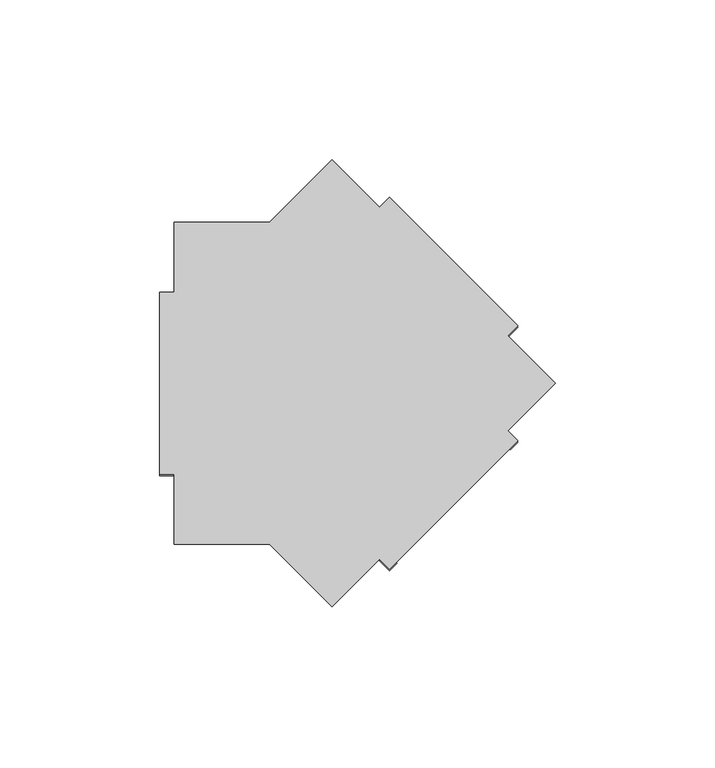
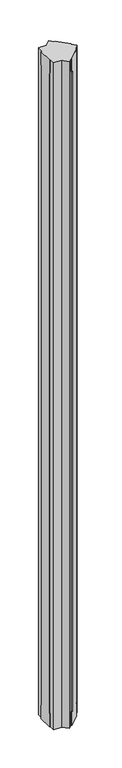
"""IFC4 building model written with IfcOpenShell, lengths in millimetres: furniture geometry."""

import ifcopenshell
import ifcopenshell.guid

model = None  # the IFC model being written
_history = None  # IfcOwnerHistory: only IFC2X3 demands one
_inside = {}  # id of a spatial element -> (the spatial element, [elements in it])
_under = {}  # id of a project, library or spatial element -> (it, [spatial elements below it])
_declared = {}  # id of a project -> (the project, [libraries it declares])
_typed = {}  # id of a type object -> (the type object, [elements of that type])
_made_of = {}  # id of a material, layer set ... -> (it, [elements and type objects made of it])


def new_model(schema):
    """Start an empty IFC model of exactly this schema.

    Asked for "IFC4X3", IfcOpenShell would pick the latest addendum, in which some entities
    have other attributes; the version numbers below select the first issue.
    IFC2X3 requires an IfcOwnerHistory on every rooted entity: one is made here for all.
    """
    global model, _history
    if schema == "IFC4X3":
        model = ifcopenshell.file(schema_version=(4, 3, 0, 0))
    else:
        model = ifcopenshell.file(schema=schema)
    _inside.clear()
    _under.clear()
    _declared.clear()
    _typed.clear()
    _made_of.clear()
    _history = None
    if model.schema == "IFC2X3":
        org = make("IfcOrganization", Name="unknown")
        user = make(
            "IfcPersonAndOrganization",
            ThePerson=make("IfcPerson", FamilyName="unknown"),
            TheOrganization=org,
        )
        app = make(
            "IfcApplication",
            ApplicationDeveloper=org,
            Version="unknown",
            ApplicationFullName="unknown",
            ApplicationIdentifier="unknown",
        )
        _history = make(
            "IfcOwnerHistory",
            OwningUser=user,
            OwningApplication=app,
            ChangeAction="ADDED",
            CreationDate=0,
        )
    return model


def make(cls, **values):
    """One entity of the class cls with the attributes given. An attribute that is None is left unset."""
    return model.create_entity(
        cls, **{name: value for name, value in values.items() if value is not None}
    )


def rooted(cls, **values):
    """An entity with a GlobalId (a new one), such as an element, a storey or a relation."""
    return make(cls, GlobalId=ifcopenshell.guid.new(), OwnerHistory=_history, **values)


def si_unit(unit_type, name, prefix=None):
    """IfcSIUnit, for example si_unit("LENGTHUNIT", "METRE", prefix="MILLI")."""
    return make("IfcSIUnit", UnitType=unit_type, Prefix=prefix, Name=name)


def assignment(units):
    """IfcUnitAssignment: the units of a project."""
    return None if units is None else make("IfcUnitAssignment", Units=units)


def point(xyz):
    """IfcCartesianPoint."""
    return None if xyz is None else make("IfcCartesianPoint", Coordinates=xyz)


def direction(xyz):
    """IfcDirection."""
    return None if xyz is None else make("IfcDirection", DirectionRatios=xyz)


def frame(location, z_axis=None, x_axis=None):
    """IfcAxis2Placement3D, a coordinate frame: its origin and axes. An axis left out is left unset."""
    return make(
        "IfcAxis2Placement3D",
        Location=point(location),
        Axis=direction(z_axis),
        RefDirection=direction(x_axis),
    )


def origin():
    """The frame at (0, 0, 0) with its axes left unset."""
    return frame((0.0, 0.0, 0.0))


def place(relative_to, where):
    """IfcLocalPlacement: puts the frame where relative to a parent placement (None: the world)."""
    return make(
        "IfcLocalPlacement", PlacementRelTo=relative_to, RelativePlacement=where
    )


def context(
    kind, dimensions, precision=None, world=None, true_north=None, identifier=None
):
    """IfcGeometricRepresentationContext, for example the 3D "Model" context."""
    return make(
        "IfcGeometricRepresentationContext",
        ContextIdentifier=identifier,
        ContextType=kind,
        CoordinateSpaceDimension=dimensions,
        Precision=precision,
        WorldCoordinateSystem=world,
        TrueNorth=true_north,
    )


def project(units=None, contexts=None):
    """IfcProject with its units and contexts."""
    return rooted(
        "IfcProject",
        Name="project",
        RepresentationContexts=contexts,
        UnitsInContext=assignment(units),
    )


def spatial(cls, under=None, at=None, **own):
    """A site, building, storey or space (cls), placed at a placement, below another one or the project."""
    s = rooted(cls, ObjectPlacement=at, **own)
    if under is not None:
        _under.setdefault(under.id(), (under, []))[1].append(s)
    return s


def faces_of(points, faces, orient=None, outer=None):
    """IfcFace entities. A face is a list of loops; a loop is a list of indices into points, from 0.

    orient and outer hold one flag for each loop. By default every Orientation is true, the
    first loop of a face is its IfcFaceOuterBound and the others are IfcFaceBound.
    """
    made = []
    for i, loops in enumerate(faces):
        bounds = []
        for j, loop in enumerate(loops):
            is_outer = j == 0 if outer is None else outer[i][j]
            bounds.append(
                make(
                    "IfcFaceOuterBound" if is_outer else "IfcFaceBound",
                    Bound=make("IfcPolyLoop", Polygon=[points[k] for k in loop]),
                    Orientation=True if orient is None else orient[i][j],
                )
            )
        made.append(make("IfcFace", Bounds=bounds))
    return made


def faceted_brep(points, faces, orient=None, outer=None, voids=None):
    """IfcFacetedBrep: a solid bounded by flat faces; with voids (closed shells), ...WithVoids."""
    shared = [point(p) for p in points]
    hull = make("IfcClosedShell", CfsFaces=faces_of(shared, faces, orient, outer))
    if voids is None:
        return make("IfcFacetedBrep", Outer=hull)
    return make(
        "IfcFacetedBrepWithVoids",
        Outer=hull,
        Voids=[
            make(cls, CfsFaces=faces_of(shared, fs, o, b)) for cls, fs, o, b in voids
        ],
    )


def shape(context_of_items, identifier, shape_type, items):
    """IfcShapeRepresentation: the items that make up one representation, for example the "Body"."""
    return make(
        "IfcShapeRepresentation",
        ContextOfItems=context_of_items,
        RepresentationIdentifier=identifier,
        RepresentationType=shape_type,
        Items=items,
    )


def source(mapping_origin, context_of_items, identifier, shape_type, items):
    """IfcRepresentationMap: a shape defined once, which mapped items show again and again."""
    return make(
        "IfcRepresentationMap",
        MappingOrigin=mapping_origin,
        MappedRepresentation=shape(context_of_items, identifier, shape_type, items),
    )


def transform(
    local_origin,
    x_axis=None,
    y_axis=None,
    z_axis=None,
    scale=None,
    scale2=None,
    scale3=None,
    uniform=True,
):
    """IfcCartesianTransformationOperator3D, or its non-uniform kind. x_axis, y_axis, z_axis: its Axis1, 2, 3."""
    if uniform:
        return make(
            "IfcCartesianTransformationOperator3D",
            Axis1=direction(x_axis),
            Axis2=direction(y_axis),
            LocalOrigin=point(local_origin),
            Scale=scale,
            Axis3=direction(z_axis),
        )
    return make(
        "IfcCartesianTransformationOperator3DnonUniform",
        Axis1=direction(x_axis),
        Axis2=direction(y_axis),
        LocalOrigin=point(local_origin),
        Scale=scale,
        Axis3=direction(z_axis),
        Scale2=scale2,
        Scale3=scale3,
    )


def mapped(mapping_source, mapping_target):
    """IfcMappedItem: shows the shape of a source again, moved by a transform."""
    return make(
        "IfcMappedItem", MappingSource=mapping_source, MappingTarget=mapping_target
    )


def made_of(thing, what):
    """Note that an element or type object is made of a material, layer set ...; save() writes the relation."""
    if what is not None:
        _made_of.setdefault(what.id(), (what, []))[1].append(thing)
    return thing


def element(
    cls,
    number,
    at=None,
    inside=None,
    cuts=None,
    type_object=None,
    material=None,
    context=None,
    identifier="Body",
    shape_type=None,
    held_by="IfcProductDefinitionShape",
    body=None,
    shapes=None,
    **own,
):
    """One element of the class cls, such as IfcWall. Its Tag is "e" and its number.

    at: its placement. inside: the storey or other place that contains it. cuts: it is an
    opening in that element (IfcRelVoidsElement). A single representation is given by context,
    identifier, shape_type and body (its items); several are given by shapes. held_by: the class
    of the entity that holds the representations. save() writes the other relations.
    """
    e = rooted(cls, Tag="e%d" % number, ObjectPlacement=at, **own)
    if body is not None:
        shapes = [shape(context, identifier, shape_type, body)]
    if shapes is not None:
        e.Representation = make(held_by, Representations=shapes)
    if inside is not None:
        _inside.setdefault(inside.id(), (inside, []))[1].append(e)
    if cuts is not None:
        rooted(
            "IfcRelVoidsElement", RelatingBuildingElement=cuts, RelatedOpeningElement=e
        )
    if type_object is not None:
        _typed.setdefault(type_object.id(), (type_object, []))[1].append(e)
    return made_of(e, material)


def aggregate(whole, parts):
    """IfcRelAggregates: a whole, such as a stair, and the parts it consists of."""
    return rooted("IfcRelAggregates", RelatingObject=whole, RelatedObjects=parts)


def save(model, path):
    """Write the relations noted so far, then the file.

    IfcRelAggregates (storeys below a building ...), IfcRelContainedInSpatialStructure (elements
    in a storey), IfcRelDefinesByType, IfcRelAssociatesMaterial and IfcRelDeclares: one each for
    every whole, place, type object, material and project.
    """
    for whole, parts in _under.values():
        aggregate(whole, parts)
    for where, things in _inside.values():
        rooted(
            "IfcRelContainedInSpatialStructure",
            RelatedElements=things,
            RelatingStructure=where,
        )
    for kind, things in _typed.values():
        rooted("IfcRelDefinesByType", RelatedObjects=things, RelatingType=kind)
    for what, things in _made_of.values():
        rooted("IfcRelAssociatesMaterial", RelatedObjects=things, RelatingMaterial=what)
    for by, libraries in _declared.values():
        rooted("IfcRelDeclares", RelatingContext=by, RelatedDefinitions=libraries)
    model.write(path)


def furniture_ad127ac2(model_context):
    return source(origin(), model_context, "Body", "Brep", [
        faceted_brep([(4.4958, -1320.40122, 2743.2), (34.4020643, -1320.40122, 2743.2), (53.975, -1339.9741557, 2743.2), (68.8463041, -1325.1028516, 2743.2), (72.0253148, -1328.2818622, 2743.2), (112.2568622, -1288.0503148, 2743.2), (109.0778516, -1284.8713041, 2743.2), (123.9491557, -1270.0, 2743.2), (109.0778516, -1255.1286959, 2743.2), (112.2568622, -1251.9496852, 2743.2), (72.0253148, -1211.7181378, 2743.2), (68.8463041, -1214.8971484, 2743.2), (53.975, -1200.0258443, 2743.2), (34.4020643, -1219.59878, 2743.2), (4.4958, -1219.59878, 2743.2), (4.4958, -1241.552, 2743.2), (0.0, -1241.552, 2743.2), (0.0, -1298.448, 2743.2), (4.4958, -1298.448, 2743.2), (4.4958, -1219.59878, 0.0), (34.4020643, -1219.59878, 0.0), (53.975, -1200.0258443, 0.0), (68.8463041, -1214.8971484, 0.0), (72.0253148, -1211.7181378, 0.0), (112.2568622, -1251.9496852, 0.0), (109.0778516, -1255.1286959, 0.0), (123.9491557, -1270.0, 0.0), (109.0778516, -1284.8713041, 0.0), (112.2568622, -1288.0503148, 0.0), (72.0253148, -1328.2818622, 0.0), (68.8463041, -1325.1028516, 0.0), (53.975, -1339.9741557, 0.0), (34.4020643, -1320.40122, 0.0), (4.4958, -1320.40122, 0.0), (4.4958, -1298.448, 0.0), (0.0, -1298.448, 0.0), (0.0, -1241.552, 0.0), (4.4958, -1241.552, 0.0), (4.4958, -1241.552, 55.118), (4.4958, -1244.854, 55.118), (4.4958, -1244.854, 2688.082), (4.4958, -1241.552, 2688.082), (4.4958, -1298.448, 2688.082), (4.4958, -1295.146, 2688.082), (4.4958, -1295.146, 55.118), (4.4958, -1298.448, 55.118), (68.8463041, -1325.1028516, 55.118), (71.1811707, -1322.767985, 55.118), (71.1811707, -1322.767985, 2688.082), (68.8463041, -1325.1028516, 2688.082), (109.0778516, -1284.8713041, 2688.082), (106.742985, -1287.2061707, 2688.082), (106.742985, -1287.2061707, 55.118), (109.0778516, -1284.8713041, 55.118), (109.0778516, -1255.1286959, 55.118), (106.742985, -1252.7938293, 55.118), (106.742985, -1252.7938293, 2688.082), (109.0778516, -1255.1286959, 2688.082), (68.8463041, -1214.8971484, 2688.082), (71.1811707, -1217.232015, 2688.082), (71.1811707, -1217.232015, 55.118), (68.8463041, -1214.8971484, 55.118), (0.0, -1241.552, 2688.082), (0.0, -1244.854, 2688.082), (0.0, -1244.854, 55.118), (0.0, -1241.552, 55.118), (0.0, -1298.448, 55.118), (0.0, -1295.146, 55.118), (0.0, -1295.146, 2688.082), (0.0, -1298.448, 2688.082), (112.2568622, -1288.0503148, 2688.082), (109.9219956, -1290.3851814, 2688.082), (109.9219956, -1290.3851814, 55.118), (112.2568622, -1288.0503148, 55.118), (72.0253148, -1328.2818622, 55.118), (74.3601814, -1325.9469956, 55.118), (74.3601814, -1325.9469956, 2688.082), (72.0253148, -1328.2818622, 2688.082), (72.0253148, -1211.7181378, 2688.082), (74.3601814, -1214.0530044, 2688.082), (74.3601814, -1214.0530044, 55.118), (72.0253148, -1211.7181378, 55.118), (112.2568622, -1251.9496852, 55.118), (109.9219956, -1249.6148186, 55.118), (109.9219956, -1249.6148186, 2688.082), (112.2568622, -1251.9496852, 2688.082)], [[[0, 1, 2, 3, 4, 5, 6, 7, 8, 9, 10, 11, 12, 13, 14, 15, 16, 17, 18]], [[19, 20, 21, 22, 23, 24, 25, 26, 27, 28, 29, 30, 31, 32, 33, 34, 35, 36, 37]], [[14, 19, 37, 38, 39, 40, 41, 15]], [[33, 0, 18, 42, 43, 44, 45, 34]], [[1, 0, 33, 32]], [[2, 1, 32, 31]], [[2, 31, 30, 46, 47, 48, 49, 3]], [[26, 7, 6, 50, 51, 52, 53, 27]], [[7, 26, 25, 54, 55, 56, 57, 8]], [[21, 12, 11, 58, 59, 60, 61, 22]], [[13, 12, 21, 20]], [[14, 13, 20, 19]], [[62, 63, 64, 65, 36, 35, 66, 67, 68, 69, 17, 16]], [[63, 62, 41, 40]], [[70, 71, 51, 50]], [[64, 63, 40, 39]], [[65, 64, 39, 38]], [[72, 73, 53, 52]], [[36, 65, 38, 37]], [[66, 35, 34, 45]], [[67, 66, 45, 44]], [[74, 75, 47, 46]], [[68, 67, 44, 43]], [[69, 68, 43, 42]], [[76, 77, 49, 48]], [[17, 69, 42, 18]], [[62, 16, 15, 41]], [[71, 70, 5, 4, 77, 76, 75, 74, 29, 28, 73, 72]], [[71, 72, 52, 51]], [[73, 28, 27, 53]], [[29, 74, 46, 30]], [[75, 76, 48, 47]], [[77, 4, 3, 49]], [[5, 70, 50, 6]], [[78, 79, 59, 58]], [[80, 81, 61, 60]], [[82, 83, 55, 54]], [[84, 85, 57, 56]], [[79, 78, 10, 9, 85, 84, 83, 82, 24, 23, 81, 80]], [[79, 80, 60, 59]], [[81, 23, 22, 61]], [[24, 82, 54, 25]], [[83, 84, 56, 55]], [[85, 9, 8, 57]], [[10, 78, 58, 11]]]),
    ])


if __name__ == "__main__":
    model = new_model("IFC4")
    model_context = context("Model", 3, world=origin())
    ifc_project = project(units=[si_unit("LENGTHUNIT", "METRE", prefix="MILLI")], contexts=[model_context])
    site = spatial("IfcSite", under=ifc_project)
    building = spatial("IfcBuilding", under=site)
    placement = place(None, origin())
    furniture_shape = furniture_ad127ac2(model_context)
    element("IfcFurniture", 1, at=placement, inside=building, context=model_context, shape_type="MappedRepresentation", body=[
        mapped(furniture_shape, transform((0.0, 0.0, 0.0), x_axis=(1.0, 0.0, 0.0), y_axis=(0.0, 1.0, 0.0), z_axis=(0.0, 0.0, 1.0))),
    ])
    save(model, "model.ifc")
